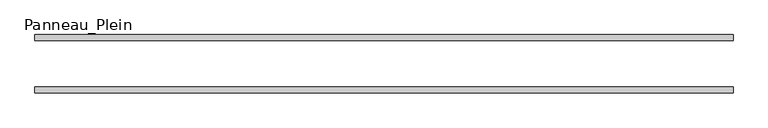
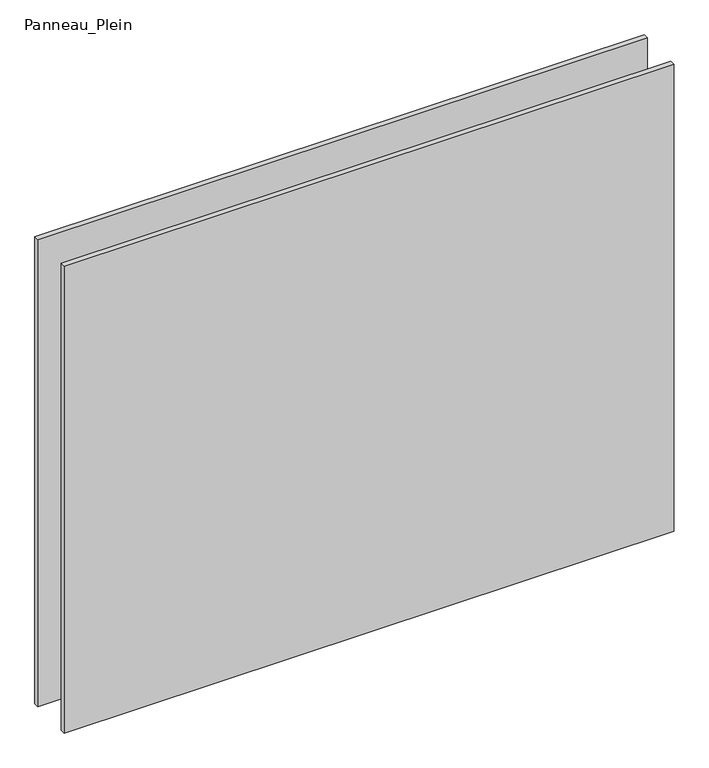
"""IFC4 building model written with IfcOpenShell, lengths in millimetres: plate geometry, Panneau_Plein."""

from ifc_helpers import new_model, si_unit, origin, origin_with_axes, place, context, project, spatial, polyline, outline, extrude, source, transform, mapped, element, save


def panneau_plein_c79fad1b(model_context):
    return source(origin(), model_context, "Body", "SweptSolid", [
        extrude(outline(polyline([(599.7000002, 50.0), (599.7000002, 40.0), (-599.7000002, 40.0), (-599.7000002, 50.0), (599.7000002, 50.0)])), origin_with_axes(), (0.0, 0.0, 1.0), 971.1805856),
        extrude(outline(polyline([(599.7000002, -40.0), (599.7000002, -50.0), (-599.7000002, -50.0), (-599.7000002, -40.0), (599.7000002, -40.0)])), origin_with_axes(), (0.0, 0.0, 1.0), 971.1805856),
    ])


if __name__ == "__main__":
    model = new_model("IFC4")
    model_context = context("Model", 3, world=origin())
    ifc_project = project(units=[si_unit("LENGTHUNIT", "METRE", prefix="MILLI")], contexts=[model_context])
    site = spatial("IfcSite", under=ifc_project)
    building = spatial("IfcBuilding", under=site)
    placement = place(None, origin())
    panneau_plein_shape = panneau_plein_c79fad1b(model_context)
    element("IfcPlate", 1, ObjectType="Panneau_Plein", at=placement, inside=building, context=model_context, shape_type="MappedRepresentation", body=[
        mapped(panneau_plein_shape, transform((0.0, 0.0, 0.0), x_axis=(1.0, 0.0, 0.0), y_axis=(0.0, 1.0, 0.0), z_axis=(0.0, 0.0, 1.0))),
    ])
    save(model, "model.ifc")
